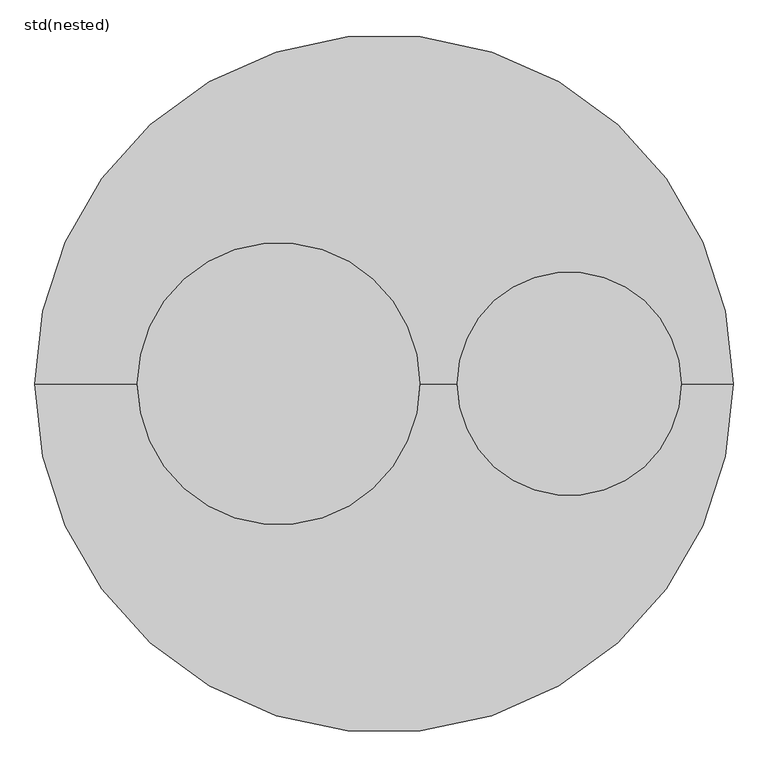
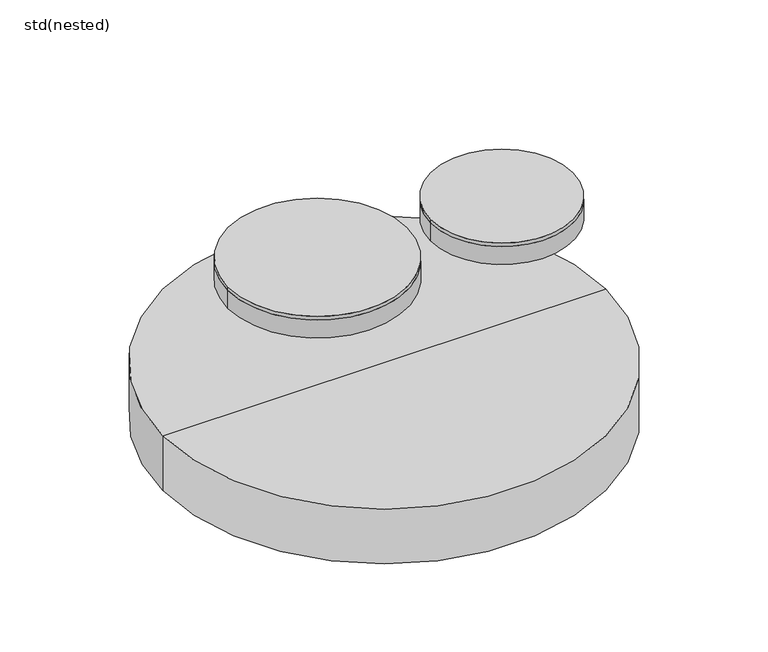
"""IFC4 building model written with IfcOpenShell, lengths in millimetres: unitary equipment geometry, std(nested)."""

from ifc_helpers import new_model, si_unit, point, frame, frame_2d, origin, place, context, project, spatial, polyline, circle_curve, trimmed, segment, composite_curve, outline, extrude, source, transform, mapped, element, save
from ifc_brep_helpers import plane_surface, cylinder_surface, revolved_surface, advanced_brep


def std_nested_7c019e65(model_context):
    return source(origin(), model_context, "Body", "SolidModel", [
        extrude(outline(composite_curve([segment(trimmed(circle_curve(frame_2d((-370.0, 0.0)), 495.0), [point((-865.0, 0.0))], [point((125.0, 0.0))], False, "CARTESIAN"), True, "CONTINUOUS"), segment(trimmed(circle_curve(frame_2d((-370.0, 0.0)), 495.0), [point((125.0, 0.0))], [point((-865.0, 0.0))], False, "CARTESIAN"), True, "CONTINUOUS")], self_intersect=False)), frame((0.0, 0.0, -20.0), z_axis=(0.0, 0.0, 1.0), x_axis=(1.0, 0.0, 0.0)), (0.0, 0.0, 1.0), 20.0),
        extrude(outline(composite_curve([segment(trimmed(circle_curve(frame_2d((-370.0, 0.0)), 495.0), [point((-865.0, 0.0))], [point((125.0, 0.0))], False, "CARTESIAN"), True, "CONTINUOUS"), segment(trimmed(circle_curve(frame_2d((-370.0, 0.0)), 495.0), [point((125.0, 0.0))], [point((-865.0, 0.0))], False, "CARTESIAN"), True, "CONTINUOUS")], self_intersect=False)), frame((0.0, 0.0, -125.0), z_axis=(0.0, 0.0, 1.0), x_axis=(1.0, 0.0, 0.0)), (0.0, 0.0, 1.0), 105.0),
        extrude(outline(composite_curve([segment(trimmed(circle_curve(frame_2d((650.0, 0.0)), 392.5), [point((257.5, 0.0))], [point((1042.5, 0.0))], False, "CARTESIAN"), True, "CONTINUOUS"), segment(trimmed(circle_curve(frame_2d((650.0, 0.0)), 392.5), [point((1042.5, 0.0))], [point((257.5, 0.0))], False, "CARTESIAN"), True, "CONTINUOUS")], self_intersect=False)), frame((0.0, 0.0, -20.0), z_axis=(0.0, 0.0, 1.0), x_axis=(1.0, 0.0, 0.0)), (0.0, 0.0, 1.0), 20.0),
        extrude(outline(composite_curve([segment(trimmed(circle_curve(frame_2d((650.0, 0.0)), 392.5), [point((257.5, 0.0))], [point((1042.5, 0.0))], False, "CARTESIAN"), True, "CONTINUOUS"), segment(trimmed(circle_curve(frame_2d((650.0, 0.0)), 392.5), [point((1042.5, 0.0))], [point((257.5, 0.0))], False, "CARTESIAN"), True, "CONTINUOUS")], self_intersect=False)), frame((0.0, 0.0, -125.0), z_axis=(0.0, 0.0, 1.0), x_axis=(1.0, 0.0, 0.0)), (0.0, 0.0, 1.0), 105.0),
        advanced_brep(
        [(1225.0, 0.0, -745.0), (-1225.0, 0.0, -745.0), (0.0, 0.0, -745.0), (1225.0, 0.0, -1065.0), (-1225.0, 0.0, -1065.0), (1155.0, 0.0, -1065.0), (-1155.0, 0.0, -1065.0), (1155.0, 0.0, -985.0), (-1155.0, 0.0, -985.0), (0.0, 0.0, -985.0)],
        [
            (0, 1, circle_curve(frame((0.0, 0.0, -745.0), z_axis=(0.0, 0.0, 1.0), x_axis=(-1.0, 0.0, 0.0)), 1225.0)),
            (1, 2),
            (2, 0),
            (1, 0, circle_curve(frame((0.0, 0.0, -745.0), z_axis=(0.0, 0.0, 1.0), x_axis=(-1.0, 0.0, 0.0)), 1225.0)),
            (3, 4, circle_curve(frame((0.0, 0.0, -1065.0), z_axis=(0.0, 0.0, 1.0), x_axis=(-1.0, 0.0, 0.0)), 1225.0)),
            (4, 1),
            (0, 3),
            (4, 3, circle_curve(frame((0.0, 0.0, -1065.0), z_axis=(0.0, 0.0, 1.0), x_axis=(-1.0, 0.0, 0.0)), 1225.0)),
            (5, 6, circle_curve(frame((0.0, 0.0, -1065.0), z_axis=(0.0, 0.0, 1.0), x_axis=(-1.0, 0.0, 0.0)), 1155.0)),
            (6, 4),
            (3, 5),
            (6, 5, circle_curve(frame((0.0, 0.0, -1065.0), z_axis=(0.0, 0.0, 1.0), x_axis=(-1.0, 0.0, 0.0)), 1155.0)),
            (7, 8, circle_curve(frame((0.0, 0.0, -985.0), z_axis=(0.0, 0.0, 1.0), x_axis=(-1.0, 0.0, 0.0)), 1155.0)),
            (8, 6),
            (5, 7),
            (8, 7, circle_curve(frame((0.0, 0.0, -985.0), z_axis=(0.0, 0.0, 1.0), x_axis=(-1.0, 0.0, 0.0)), 1155.0)),
            (9, 8),
            (7, 9),
        ],
        [
            plane_surface(frame((0.0, 0.0, -745.0), z_axis=(0.0, 0.0, 1.0), x_axis=(-1.0, 0.0, 0.0))),
            cylinder_surface(frame((0.0, 0.0, -782.498608), z_axis=(0.0, 0.0, -1.0), x_axis=(-1.0, 0.0, 0.0)), 1225.0),
            plane_surface(frame((0.0, 0.0, -1065.0), z_axis=(0.0, 0.0, -1.0), x_axis=(-1.0, 0.0, 0.0))),
            revolved_surface(polyline([(-1155.0, 0.0, -1065.0), (-1155.0, 0.0, -985.0)]), (0.0, 0.0, -782.498608), (0.0, 0.0, -1.0)),
            plane_surface(frame((0.0, 0.0, -985.0), z_axis=(0.0, 0.0, -1.0), x_axis=(-1.0, 0.0, 0.0))),
        ],
        [
            (0, [[1, 2, 3]]),
            (0, [[4, -3, -2]]),
            (1, [[5, 6, -1, 7]]),
            (1, [[8, -7, -4, -6]]),
            (2, [[9, 10, -5, 11]]),
            (2, [[12, -11, -8, -10]]),
            (3, [[13, 14, -9, 15]]),
            (3, [[16, -15, -12, -14]]),
            (4, [[17, -13, 18]]),
            (4, [[-18, -16, -17]]),
        ],
    ),
    ])


if __name__ == "__main__":
    model = new_model("IFC4")
    model_context = context("Model", 3, world=origin())
    ifc_project = project(units=[si_unit("LENGTHUNIT", "METRE", prefix="MILLI")], contexts=[model_context])
    site = spatial("IfcSite", under=ifc_project)
    building = spatial("IfcBuilding", under=site)
    placement = place(None, origin())
    std_nested_shape = std_nested_7c019e65(model_context)
    element("IfcUnitaryEquipment", 1, ObjectType="std(nested)", at=placement, inside=building, context=model_context, shape_type="MappedRepresentation", body=[
        mapped(std_nested_shape, transform((0.0, 0.0, 0.0), x_axis=(1.0, 0.0, 0.0), y_axis=(0.0, 1.0, 0.0), z_axis=(0.0, 0.0, 1.0))),
    ])
    save(model, "model.ifc")
